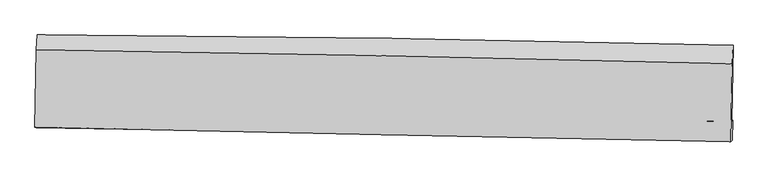
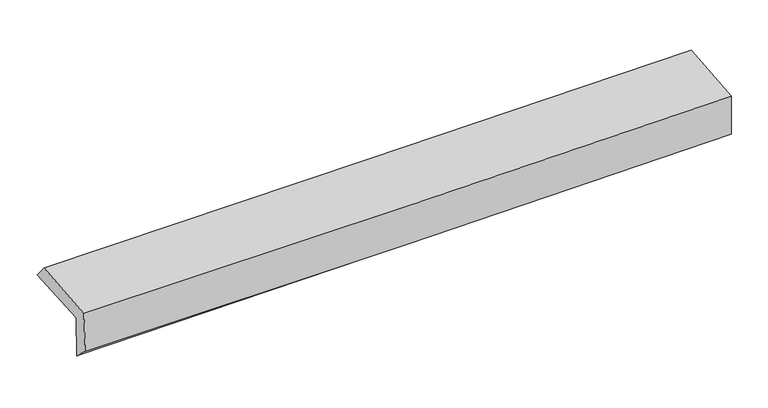
"""IFC4 building model written with IfcOpenShell, lengths in millimetres: proxy geometry."""

import ifcopenshell
import ifcopenshell.guid

model = None  # the IFC model being written
_history = None  # IfcOwnerHistory: only IFC2X3 demands one
_inside = {}  # id of a spatial element -> (the spatial element, [elements in it])
_under = {}  # id of a project, library or spatial element -> (it, [spatial elements below it])
_declared = {}  # id of a project -> (the project, [libraries it declares])
_typed = {}  # id of a type object -> (the type object, [elements of that type])
_made_of = {}  # id of a material, layer set ... -> (it, [elements and type objects made of it])


def new_model(schema):
    """Start an empty IFC model of exactly this schema.

    Asked for "IFC4X3", IfcOpenShell would pick the latest addendum, in which some entities
    have other attributes; the version numbers below select the first issue.
    IFC2X3 requires an IfcOwnerHistory on every rooted entity: one is made here for all.
    """
    global model, _history
    if schema == "IFC4X3":
        model = ifcopenshell.file(schema_version=(4, 3, 0, 0))
    else:
        model = ifcopenshell.file(schema=schema)
    _inside.clear()
    _under.clear()
    _declared.clear()
    _typed.clear()
    _made_of.clear()
    _history = None
    if model.schema == "IFC2X3":
        org = make("IfcOrganization", Name="unknown")
        user = make(
            "IfcPersonAndOrganization",
            ThePerson=make("IfcPerson", FamilyName="unknown"),
            TheOrganization=org,
        )
        app = make(
            "IfcApplication",
            ApplicationDeveloper=org,
            Version="unknown",
            ApplicationFullName="unknown",
            ApplicationIdentifier="unknown",
        )
        _history = make(
            "IfcOwnerHistory",
            OwningUser=user,
            OwningApplication=app,
            ChangeAction="ADDED",
            CreationDate=0,
        )
    return model


def make(cls, **values):
    """One entity of the class cls with the attributes given. An attribute that is None is left unset."""
    return model.create_entity(
        cls, **{name: value for name, value in values.items() if value is not None}
    )


def rooted(cls, **values):
    """An entity with a GlobalId (a new one), such as an element, a storey or a relation."""
    return make(cls, GlobalId=ifcopenshell.guid.new(), OwnerHistory=_history, **values)


def si_unit(unit_type, name, prefix=None):
    """IfcSIUnit, for example si_unit("LENGTHUNIT", "METRE", prefix="MILLI")."""
    return make("IfcSIUnit", UnitType=unit_type, Prefix=prefix, Name=name)


def assignment(units):
    """IfcUnitAssignment: the units of a project."""
    return None if units is None else make("IfcUnitAssignment", Units=units)


def point(xyz):
    """IfcCartesianPoint."""
    return None if xyz is None else make("IfcCartesianPoint", Coordinates=xyz)


def direction(xyz):
    """IfcDirection."""
    return None if xyz is None else make("IfcDirection", DirectionRatios=xyz)


def frame(location, z_axis=None, x_axis=None):
    """IfcAxis2Placement3D, a coordinate frame: its origin and axes. An axis left out is left unset."""
    return make(
        "IfcAxis2Placement3D",
        Location=point(location),
        Axis=direction(z_axis),
        RefDirection=direction(x_axis),
    )


def origin():
    """The frame at (0, 0, 0) with its axes left unset."""
    return frame((0.0, 0.0, 0.0))


def place(relative_to, where):
    """IfcLocalPlacement: puts the frame where relative to a parent placement (None: the world)."""
    return make(
        "IfcLocalPlacement", PlacementRelTo=relative_to, RelativePlacement=where
    )


def context(
    kind, dimensions, precision=None, world=None, true_north=None, identifier=None
):
    """IfcGeometricRepresentationContext, for example the 3D "Model" context."""
    return make(
        "IfcGeometricRepresentationContext",
        ContextIdentifier=identifier,
        ContextType=kind,
        CoordinateSpaceDimension=dimensions,
        Precision=precision,
        WorldCoordinateSystem=world,
        TrueNorth=true_north,
    )


def project(units=None, contexts=None):
    """IfcProject with its units and contexts."""
    return rooted(
        "IfcProject",
        Name="project",
        RepresentationContexts=contexts,
        UnitsInContext=assignment(units),
    )


def spatial(cls, under=None, at=None, **own):
    """A site, building, storey or space (cls), placed at a placement, below another one or the project."""
    s = rooted(cls, ObjectPlacement=at, **own)
    if under is not None:
        _under.setdefault(under.id(), (under, []))[1].append(s)
    return s


def shape(context_of_items, identifier, shape_type, items):
    """IfcShapeRepresentation: the items that make up one representation, for example the "Body"."""
    return make(
        "IfcShapeRepresentation",
        ContextOfItems=context_of_items,
        RepresentationIdentifier=identifier,
        RepresentationType=shape_type,
        Items=items,
    )


def source(mapping_origin, context_of_items, identifier, shape_type, items):
    """IfcRepresentationMap: a shape defined once, which mapped items show again and again."""
    return make(
        "IfcRepresentationMap",
        MappingOrigin=mapping_origin,
        MappedRepresentation=shape(context_of_items, identifier, shape_type, items),
    )


def transform(
    local_origin,
    x_axis=None,
    y_axis=None,
    z_axis=None,
    scale=None,
    scale2=None,
    scale3=None,
    uniform=True,
):
    """IfcCartesianTransformationOperator3D, or its non-uniform kind. x_axis, y_axis, z_axis: its Axis1, 2, 3."""
    if uniform:
        return make(
            "IfcCartesianTransformationOperator3D",
            Axis1=direction(x_axis),
            Axis2=direction(y_axis),
            LocalOrigin=point(local_origin),
            Scale=scale,
            Axis3=direction(z_axis),
        )
    return make(
        "IfcCartesianTransformationOperator3DnonUniform",
        Axis1=direction(x_axis),
        Axis2=direction(y_axis),
        LocalOrigin=point(local_origin),
        Scale=scale,
        Axis3=direction(z_axis),
        Scale2=scale2,
        Scale3=scale3,
    )


def mapped(mapping_source, mapping_target):
    """IfcMappedItem: shows the shape of a source again, moved by a transform."""
    return make(
        "IfcMappedItem", MappingSource=mapping_source, MappingTarget=mapping_target
    )


def made_of(thing, what):
    """Note that an element or type object is made of a material, layer set ...; save() writes the relation."""
    if what is not None:
        _made_of.setdefault(what.id(), (what, []))[1].append(thing)
    return thing


def element(
    cls,
    number,
    at=None,
    inside=None,
    cuts=None,
    type_object=None,
    material=None,
    context=None,
    identifier="Body",
    shape_type=None,
    held_by="IfcProductDefinitionShape",
    body=None,
    shapes=None,
    **own,
):
    """One element of the class cls, such as IfcWall. Its Tag is "e" and its number.

    at: its placement. inside: the storey or other place that contains it. cuts: it is an
    opening in that element (IfcRelVoidsElement). A single representation is given by context,
    identifier, shape_type and body (its items); several are given by shapes. held_by: the class
    of the entity that holds the representations. save() writes the other relations.
    """
    e = rooted(cls, Tag="e%d" % number, ObjectPlacement=at, **own)
    if body is not None:
        shapes = [shape(context, identifier, shape_type, body)]
    if shapes is not None:
        e.Representation = make(held_by, Representations=shapes)
    if inside is not None:
        _inside.setdefault(inside.id(), (inside, []))[1].append(e)
    if cuts is not None:
        rooted(
            "IfcRelVoidsElement", RelatingBuildingElement=cuts, RelatedOpeningElement=e
        )
    if type_object is not None:
        _typed.setdefault(type_object.id(), (type_object, []))[1].append(e)
    return made_of(e, material)


def aggregate(whole, parts):
    """IfcRelAggregates: a whole, such as a stair, and the parts it consists of."""
    return rooted("IfcRelAggregates", RelatingObject=whole, RelatedObjects=parts)


def save(model, path):
    """Write the relations noted so far, then the file.

    IfcRelAggregates (storeys below a building ...), IfcRelContainedInSpatialStructure (elements
    in a storey), IfcRelDefinesByType, IfcRelAssociatesMaterial and IfcRelDeclares: one each for
    every whole, place, type object, material and project.
    """
    for whole, parts in _under.values():
        aggregate(whole, parts)
    for where, things in _inside.values():
        rooted(
            "IfcRelContainedInSpatialStructure",
            RelatedElements=things,
            RelatingStructure=where,
        )
    for kind, things in _typed.values():
        rooted("IfcRelDefinesByType", RelatedObjects=things, RelatingType=kind)
    for what, things in _made_of.values():
        rooted("IfcRelAssociatesMaterial", RelatedObjects=things, RelatingMaterial=what)
    for by, libraries in _declared.values():
        rooted("IfcRelDeclares", RelatingContext=by, RelatedDefinitions=libraries)
    model.write(path)


def plane_surface(at):
    """IfcPlane: the flat surface through the origin of the frame at, square to its z axis."""
    return make("IfcPlane", Position=at)


def spline_curve(degree, points, multiplicities, knots, weights=None):
    """IfcBSplineCurveWithKnots; with weights, IfcRationalBSplineCurveWithKnots."""
    own = dict(
        Degree=degree,
        ControlPointsList=[point(p) for p in points],
        CurveForm="UNSPECIFIED",
        ClosedCurve=False,
        SelfIntersect=False,
        KnotMultiplicities=multiplicities,
        Knots=knots,
        KnotSpec="UNSPECIFIED",
    )
    if weights is None:
        return make("IfcBSplineCurveWithKnots", **own)
    return make("IfcRationalBSplineCurveWithKnots", WeightsData=weights, **own)


def spline_surface(u_degree, v_degree, points, u_multiplicities, v_multiplicities, u_knots, v_knots, weights=None):
    """IfcBSplineSurfaceWithKnots; with weights, IfcRationalBSplineSurfaceWithKnots. points: one row for each step in u."""
    own = dict(
        UDegree=u_degree,
        VDegree=v_degree,
        ControlPointsList=[[point(p) for p in row] for row in points],
        SurfaceForm="UNSPECIFIED",
        UClosed=False,
        VClosed=False,
        SelfIntersect=False,
        UMultiplicities=u_multiplicities,
        VMultiplicities=v_multiplicities,
        UKnots=u_knots,
        VKnots=v_knots,
        KnotSpec="UNSPECIFIED",
    )
    if weights is None:
        return make("IfcBSplineSurfaceWithKnots", **own)
    return make("IfcRationalBSplineSurfaceWithKnots", WeightsData=weights, **own)


def advanced_brep(points, edges, surfaces, faces):
    """IfcAdvancedBrep: a solid bounded by faces that lie on surfaces and meet in shared edges.

    An edge is (start, end): straight between two places in points (the first is 0);
    or (start, end, curve); or (start, end, curve, False) where it runs against its curve.
    A face is (place in surfaces, loops), or (place, loops, False) where it looks against
    its surface's normal. A loop lists edges by number (the first is 1), with a minus sign
    where the edge is run from its end to its start. The first loop is the outer one.
    """
    corners = [point(p) for p in points]
    vertices = [make("IfcVertexPoint", VertexGeometry=c) for c in corners]
    made = []
    for start, end, *more in edges:
        made.append(
            make(
                "IfcEdgeCurve",
                EdgeStart=vertices[start],
                EdgeEnd=vertices[end],
                EdgeGeometry=more[0] if more else make("IfcPolyline", Points=[corners[start], corners[end]]),
                SameSense=more[1] if len(more) > 1 else True,
            )
        )
    hull = []
    for where, loops, *sense in faces:
        bounds = []
        for j, loop in enumerate(loops):
            ring = [make("IfcOrientedEdge", EdgeElement=made[abs(k) - 1], Orientation=k > 0) for k in loop]
            bounds.append(
                make(
                    "IfcFaceOuterBound" if j == 0 else "IfcFaceBound",
                    Bound=make("IfcEdgeLoop", EdgeList=ring),
                    Orientation=True,
                )
            )
        hull.append(make("IfcAdvancedFace", Bounds=bounds, FaceSurface=surfaces[where], SameSense=sense[0] if sense else True))
    return make("IfcAdvancedBrep", Outer=make("IfcClosedShell", CfsFaces=hull))


def generic_models_9f37b06b(model_context):
    return source(origin(), model_context, "Body", "AdvancedBrep", [
        advanced_brep(
        [(-3030.610918, -1761.2701957, 1953.5054988), (-3016.8982062, -1093.4624846, 1975.2057914), (3018.936807, -1183.963539, 2127.613533), (3006.0795573, -1842.8938955, 2104.9972486), (-3019.6806373, -1744.9480512, 1561.2798725), (3016.7797152, -1835.6619671, 1714.4121766), (-3026.7080663, -1897.1041744, 1701.0203606), (3010.4001518, -2005.6477824, 1821.9425867), (-3036.8972637, -1894.941937, 2080.4450283), (2999.4897608, -2019.0795571, 2215.6187357), (-3023.6196988, -1221.0624043, 2123.0950719), (3012.1185107, -1343.4929018, 2259.2940929)],
        [
            (0, 1),
            (1, 2, spline_curve(3, [(-3016.8982062, -1093.4624846, 1975.2057914), (-2010.425294014, -1099.113925851, 1989.338687356), (-1004.177619122, -1109.482009555, 2009.106691173), (1007.76734077, -1139.649964854, 2059.91039103), (2013.464669976, -1159.448898952, 2090.944967809), (3018.936807, -1183.963539, 2127.613533)], [4, 2, 4], [0.0, 9.906906282813809, 19.812828627416184])),
            (2, 3),
            (3, 0, spline_curve(3, [(3006.0795573, -1842.8938955, 2104.9972486), (2000.465191374, -1820.147363532, 2068.058445225), (994.625462737, -1801.972233431, 2036.965067705), (-1017.60465065, -1774.763425134, 1986.46665646), (-2023.995080528, -1765.730655427, 1967.062784018), (-3030.610918, -1761.2701957, 1953.5054988)], [4, 2, 4], [0.0, 9.905922344602375, 19.812828627416184])),
            (4, 0),
            (3, 5),
            (5, 4, spline_curve(3, [(3016.7797152, -1835.6619671, 1714.4121766), (2011.210977843, -1814.371370063, 1674.57031078), (1005.41323979, -1796.166801051, 1641.888630704), (-1006.740165694, -1765.92821565, 1590.843106889), (-2013.095878106, -1753.894813233, 1572.480685698), (-3019.6806373, -1744.9480512, 1561.2798725)], [4, 2, 4], [0.0, 9.906464336485918, 19.813912665018393])),
            (6, 4),
            (5, 7),
            (7, 6, spline_curve(3, [(3010.4001518, -2005.6477824, 1821.9425867), (2004.432543643, -1987.886961652, 1793.030608781), (998.381376753, -1969.961707919, 1768.498050297), (-1013.988012583, -1933.780538064, 1728.189771727), (-2020.306251679, -1915.524588867, 1712.414921049), (-3026.7080663, -1897.1041744, 1701.0203606)], [4, 2, 4], [0.0, 9.906440935077763, 19.81386585987766])),
            (8, 6),
            (7, 9),
            (9, 8, spline_curve(3, [(2999.4897608, -2019.0795571, 2215.6187357), (1993.578075137, -1999.76210753, 2185.817809339), (987.614964174, -1979.759128837, 2159.653249397), (-1024.514034066, -1938.380058209, 2114.594624516), (-2030.679931, -1917.003830306, 2095.701282178), (-3036.8972637, -1894.941937, 2080.4450283)], [4, 2, 4], [0.0, 9.906468896338536, 19.81392178517655])),
            (10, 8),
            (9, 11),
            (11, 10, spline_curve(3, [(3012.1185107, -1343.4929018, 2259.2940929), (2006.439473435, -1317.764575063, 2230.157408229), (1000.64675499, -1294.698244424, 2204.239551392), (-1011.265958741, -1253.887550049, 2158.839237953), (-2017.385976964, -1236.143714422, 2139.357421247), (-3023.6196988, -1221.0624043, 2123.0950719)], [4, 2, 4], [0.0, 9.905824914152927, 19.812633756839688])),
            (1, 10),
            (11, 2),
        ],
        [
            spline_surface(3, 3, [[(-3030.610918, -1761.2701957, 1953.5054988), (-2023.995080619, -1765.7306555, 1967.062784053), (-1017.604650783, -1774.763425223, 1986.466656466), (994.62546287, -1801.972233342, 2036.965067698), (2000.465191484, -1820.14736355, 2068.058445202), (3006.0795573, -1842.8938955, 2104.9972486)], [(-3026.040014067, -1538.667625359, 1960.738929655), (-2019.471818447, -1543.525078961, 1974.488085194), (-1013.128973505, -1553.002953403, 1994.013334728), (999.006088814, -1581.198143805, 2044.613508822), (2004.798350976, -1599.914542023, 2075.687286068), (3010.365307196, -1623.250443343, 2112.536010047)], [(-3021.469110133, -1316.065054941, 1967.972360545), (-2014.948556273, -1321.319502346, 1981.913386369), (-1008.653296279, -1331.24248154, 2001.560012931), (1003.386714705, -1360.424054226, 2052.261949887), (2009.131510481, -1379.681720468, 2083.316126994), (3014.651057104, -1403.606991157, 2120.074771553)], [(-3016.8982062, -1093.4624846, 1975.2057914), (-2010.425294101, -1099.113925807, 1989.338687509), (-1004.177619001, -1109.482009719, 2009.106691193), (1007.767340649, -1139.64996469, 2059.91039101), (2013.464669973, -1159.448898942, 2090.94496786), (3018.936807, -1183.963539, 2127.613533)]], [4, 4], [4, 2, 4], [0.0, 2.179547315597121], [0.0, 9.906906282813809, 19.812828627416184]),
            spline_surface(3, 3, [[(-3019.6806373, -1744.9480512, 1561.2798725), (-2013.095878181, -1753.894813157, 1572.480685571), (-1006.740165623, -1765.928215814, 1590.843106866), (1005.413239719, -1796.166800887, 1641.888630728), (2011.210977988, -1814.371370164, 1674.570310786), (3016.7797152, -1835.6619671, 1714.4121766)], [(-3023.32406418, -1750.388766033, 1692.021747921), (-2016.72894564, -1757.840093938, 1704.008051719), (-1010.361660695, -1768.873285617, 1722.717623396), (1001.817314084, -1798.101945039, 1773.58077638), (2007.629049162, -1816.296701277, 1805.733022248), (3013.212995909, -1838.072609884, 1844.60720059)], [(-3026.96749112, -1755.829480867, 1822.763623379), (-2020.36201316, -1761.785374719, 1835.535417905), (-1013.983155711, -1771.81835542, 1854.592139937), (998.221388505, -1800.03708919, 1905.272922045), (2004.047120309, -1818.222032438, 1936.89573374), (3009.646276591, -1840.483252716, 1974.80222461)], [(-3030.610918, -1761.2701957, 1953.5054988), (-2023.995080619, -1765.7306555, 1967.062784053), (-1017.604650783, -1774.763425223, 1986.466656466), (994.62546287, -1801.972233342, 2036.965067698), (2000.465191484, -1820.14736355, 2068.058445202), (3006.0795573, -1842.8938955, 2104.9972486)]], [4, 4], [4, 2, 4], [0.0, 1.2977886011072313], [0.0, 9.907448328532475, 19.813912665018393]),
            spline_surface(3, 3, [[(-3026.7080663, -1897.1041744, 1701.0203606), (-2020.306251713, -1915.524589004, 1712.414921204), (-1013.98801263, -1933.780537992, 1728.189771633), (998.3813768, -1969.96170799, 1768.49805039), (2004.432543757, -1987.886961672, 1793.030608634), (3010.4001518, -2005.6477824, 1821.9425867)], [(-3024.365589994, -1846.385466646, 1654.440197924), (-2017.902793896, -1861.647997034, 1665.770176017), (-1011.572063627, -1877.829763911, 1682.407550051), (1000.725331107, -1912.030072267, 1726.29491051), (2006.692021812, -1930.048431166, 1753.543842701), (3012.526672912, -1948.985843964, 1786.099116683)], [(-3022.023113606, -1795.666758954, 1607.860035176), (-2015.499335997, -1807.771405127, 1619.125430758), (-1009.156114626, -1821.878989895, 1636.625328448), (1003.069285411, -1854.09843661, 1684.091770608), (2008.951499932, -1872.209900669, 1714.057076719), (3014.653194088, -1892.323905536, 1750.255646617)], [(-3019.6806373, -1744.9480512, 1561.2798725), (-2013.095878181, -1753.894813157, 1572.480685571), (-1006.740165623, -1765.928215814, 1590.843106866), (1005.413239719, -1796.166800887, 1641.888630728), (2011.210977988, -1814.371370164, 1674.570310786), (3016.7797152, -1835.6619671, 1714.4121766)]], [4, 4], [4, 2, 4], [0.0, 0.7086153060022478], [0.0, 9.907424924799896, 19.81386585987766]),
            spline_surface(3, 3, [[(-3036.8972637, -1894.941937, 2080.4450283), (-2030.67993113, -1917.00383023, 2095.701282026), (-1024.514033908, -1938.380058272, 2114.594624501), (987.614964016, -1979.759128774, 2159.653249413), (1993.578075013, -1999.762107445, 2185.817809361), (2999.4897608, -2019.0795571, 2215.6187357)], [(-3033.500864566, -1895.662682797, 1953.970139057), (-2027.22203799, -1916.510749819, 1967.939161742), (-1021.005360145, -1936.846884869, 1985.793006858), (991.203768281, -1976.49332187, 2029.268183052), (1997.196231285, -1995.803725522, 2054.888742434), (3003.126557824, -2014.602298869, 2084.393352682)], [(-3030.104465434, -1896.383428603, 1827.495249843), (-2023.764144852, -1916.017669416, 1840.177041488), (-1017.496686393, -1935.313711395, 1856.991389276), (994.792572535, -1973.227514894, 1898.883116752), (2000.814387485, -1991.845343594, 1923.959675561), (3006.763354776, -2010.125040631, 1953.167969718)], [(-3026.7080663, -1897.1041744, 1701.0203606), (-2020.306251713, -1915.524589004, 1712.414921204), (-1013.98801263, -1933.780537992, 1728.189771633), (998.3813768, -1969.96170799, 1768.49805039), (2004.432543757, -1987.886961672, 1793.030608634), (3010.4001518, -2005.6477824, 1821.9425867)]], [4, 4], [4, 2, 4], [0.0, 1.2762209154996076], [0.0, 9.907452888838014, 19.81392178517655]),
            spline_surface(3, 3, [[(-3023.6196988, -1221.0624043, 2123.0950719), (-2017.385976913, -1236.143714468, 2139.357421394), (-1011.265958829, -1253.887549891, 2158.8392381), (1000.646755079, -1294.698244581, 2204.239551244), (2006.439473509, -1317.764574977, 2230.157408196), (3012.1185107, -1343.4929018, 2259.2940929)], [(-3028.045553747, -1445.688915226, 2108.878390702), (-2021.817294966, -1463.097086414, 2124.805374941), (-1015.681983872, -1482.051719351, 2144.091033585), (996.302824708, -1523.051872645, 2189.377450652), (2002.152340678, -1545.097085812, 2215.377541938), (3007.9089274, -1568.688453579, 2244.73564052)], [(-3032.471408753, -1670.315426074, 2094.661709498), (-2026.248613077, -1690.050458284, 2110.25332848), (-1020.098008865, -1710.215888812, 2129.342829016), (991.958894387, -1751.40550071, 2174.515350005), (1997.865207845, -1772.42959661, 2200.59767562), (3003.6993441, -1793.884005321, 2230.17718808)], [(-3036.8972637, -1894.941937, 2080.4450283), (-2030.67993113, -1917.00383023, 2095.701282026), (-1024.514033908, -1938.380058272, 2114.594624501), (987.614964016, -1979.759128774, 2159.653249413), (1993.578075013, -1999.762107445, 2185.817809361), (2999.4897608, -2019.0795571, 2215.6187357)]], [4, 4], [4, 2, 4], [0.0, 2.251776144488516], [0.0, 9.906808842686761, 19.812633756839688]),
            spline_surface(3, 3, [[(-3016.8982062, -1093.4624846, 1975.2057914), (-2010.425294101, -1099.113925807, 1989.338687509), (-1004.177619001, -1109.482009719, 2009.106691193), (1007.767340649, -1139.64996469, 2059.91039101), (2013.464669973, -1159.448898942, 2090.94496786), (3018.936807, -1183.963539, 2127.613533)], [(-3019.138703746, -1135.99579114, 2024.502218241), (-2012.745521717, -1144.790522, 2039.344932145), (-1006.540398932, -1157.61718976, 2059.017540142), (1005.393812138, -1191.332724637, 2108.020111068), (2011.122937811, -1212.220790949, 2137.34911465), (3016.664041559, -1237.139993262, 2171.507052978)], [(-3021.379201254, -1178.52909776, 2073.798645059), (-2015.065749297, -1190.467118275, 2089.351176759), (-1008.903178899, -1205.75236985, 2108.928389151), (1003.02028359, -1243.015484634, 2156.129831187), (2008.781205672, -1264.99268297, 2183.753261406), (3014.391276141, -1290.316447538, 2215.400572922)], [(-3023.6196988, -1221.0624043, 2123.0950719), (-2017.385976913, -1236.143714468, 2139.357421394), (-1011.265958829, -1253.887549891, 2158.8392381), (1000.646755079, -1294.698244581, 2204.239551244), (2006.439473509, -1317.764574977, 2230.157408196), (3012.1185107, -1343.4929018, 2259.2940929)]], [4, 4], [4, 2, 4], [0.0, 0.6888718006743593], [0.0, 9.9062475720492, 19.811511271309072]),
            plane_surface(frame((3010.6340838, -1705.1232738, 2040.6463956), z_axis=(0.9994266525325145, -0.02042787392098103, 0.027001262465321228), x_axis=(0.027687392268973078, 0.034085928943645614, -0.9990353135687411))),
            plane_surface(frame((-3025.7357984, -1602.1315412, 1899.0919372), z_axis=(-0.9994074603274363, 0.021397827576328875, -0.026960363812041158), x_axis=(-0.020518769308363948, -0.9992620399730956, -0.0324708419182164))),
        ],
        [
            (0, [[1, 2, 3, 4]]),
            (1, [[5, -4, 6, 7]]),
            (2, [[8, -7, 9, 10]]),
            (3, [[11, -10, 12, 13]]),
            (4, [[14, -13, 15, 16]]),
            (5, [[17, -16, 18, -2]]),
            (6, [[-12, -9, -6, -3, -18, -15]]),
            (7, [[-1, -5, -8, -11, -14, -17]]),
        ],
    ),
    ])


if __name__ == "__main__":
    model = new_model("IFC4")
    model_context = context("Model", 3, world=origin())
    ifc_project = project(units=[si_unit("LENGTHUNIT", "METRE", prefix="MILLI")], contexts=[model_context])
    site = spatial("IfcSite", under=ifc_project)
    building = spatial("IfcBuilding", under=site)
    placement = place(None, origin())
    generic_models_shape = generic_models_9f37b06b(model_context)
    element("IfcBuildingElementProxy", 1, Name="Generic Models", at=placement, inside=building, context=model_context, shape_type="MappedRepresentation", body=[
        mapped(generic_models_shape, transform((0.0, 0.0, 0.0), x_axis=(1.0, 0.0, 0.0), y_axis=(0.0, 1.0, 0.0), z_axis=(0.0, 0.0, 1.0))),
    ])
    save(model, "model.ifc")
